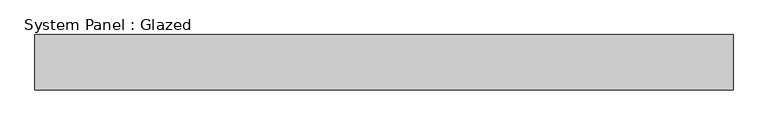
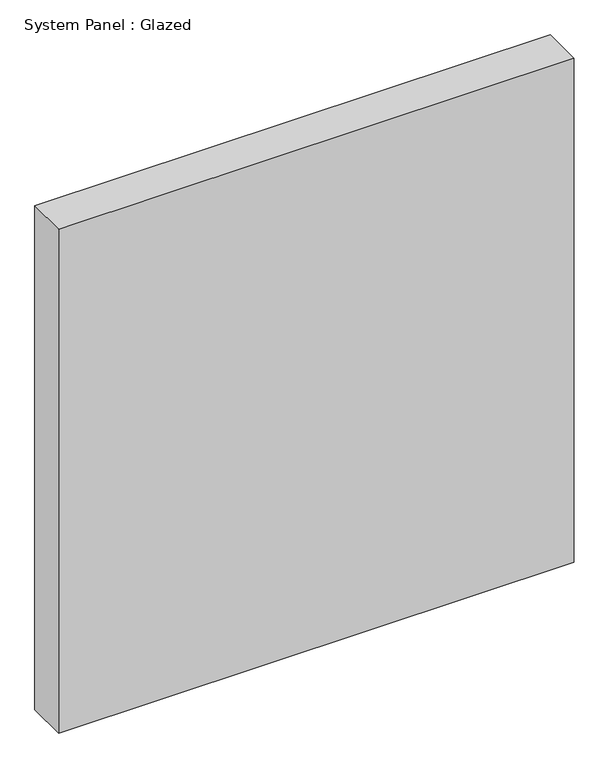
"""IFC4 building model written with IfcOpenShell, lengths in millimetres: plate geometry, System Panel : Glazed."""

from ifc_helpers import new_model, si_unit, origin, origin_with_axes, place, context, project, spatial, polyline, outline, extrude, source, transform, mapped, element, save


def system_panel_glazed_4184fe0e(model_context):
    return source(origin(), model_context, "Body", "SweptSolid", [
        extrude(outline(polyline([(629.1666667, 50.0), (-629.1666667, 50.0), (-629.1666667, 150.0), (629.1666667, 150.0), (629.1666667, 50.0)])), origin_with_axes(), (0.0, 0.0, 1.0), 1300.0),
    ])


if __name__ == "__main__":
    model = new_model("IFC4")
    model_context = context("Model", 3, world=origin())
    ifc_project = project(units=[si_unit("LENGTHUNIT", "METRE", prefix="MILLI")], contexts=[model_context])
    site = spatial("IfcSite", under=ifc_project)
    building = spatial("IfcBuilding", under=site)
    placement = place(None, origin())
    system_panel_glazed_shape = system_panel_glazed_4184fe0e(model_context)
    element("IfcPlate", 1, ObjectType="System Panel : Glazed", at=placement, inside=building, context=model_context, shape_type="MappedRepresentation", body=[
        mapped(system_panel_glazed_shape, transform((0.0, 0.0, 0.0), x_axis=(1.0, 0.0, 0.0), y_axis=(0.0, 1.0, 0.0), z_axis=(0.0, 0.0, 1.0))),
    ])
    save(model, "model.ifc")
